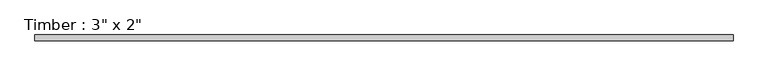
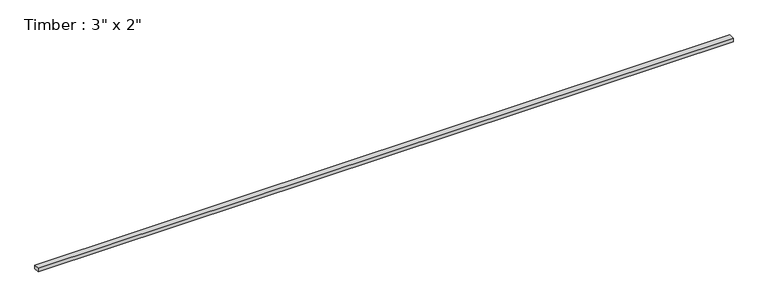
"""IFC4 building model written with IfcOpenShell, lengths in millimetres: beam geometry."""

from ifc_helpers import new_model, si_unit, frame, origin, place, context, project, spatial, polyline, outline, extrude, source, transform, mapped, element, save


def beam_31898a11(model_context):
    return source(origin(), model_context, "Body", "SweptSolid", [
        extrude(outline(polyline([(4645.5283366, 38.1), (4645.5283366, -38.1), (-4645.5283366, -38.1), (-4645.5283366, 38.1), (4645.5283366, 38.1)])), frame((0.0, 0.0, -25.4), z_axis=(0.0, 0.0, 1.0), x_axis=(1.0, 0.0, 0.0)), (0.0, 0.0, 1.0), 50.8),
    ])


if __name__ == "__main__":
    model = new_model("IFC4")
    model_context = context("Model", 3, world=origin())
    ifc_project = project(units=[si_unit("LENGTHUNIT", "METRE", prefix="MILLI")], contexts=[model_context])
    site = spatial("IfcSite", under=ifc_project)
    building = spatial("IfcBuilding", under=site)
    placement = place(None, origin())
    beam_shape = beam_31898a11(model_context)
    element("IfcBeam", 1, ObjectType="Timber : 3\" x 2\"", at=placement, inside=building, context=model_context, shape_type="MappedRepresentation", body=[
        mapped(beam_shape, transform((0.0, 0.0, 0.0), x_axis=(1.0, 0.0, 0.0), y_axis=(0.0, 1.0, 0.0), z_axis=(0.0, 0.0, 1.0))),
    ])
    save(model, "model.ifc")
